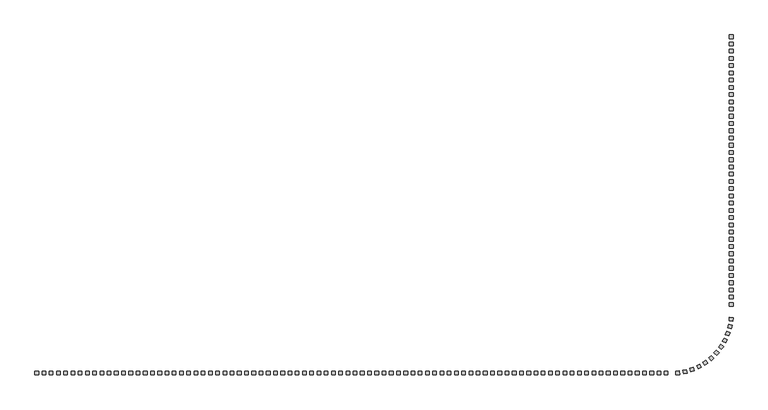
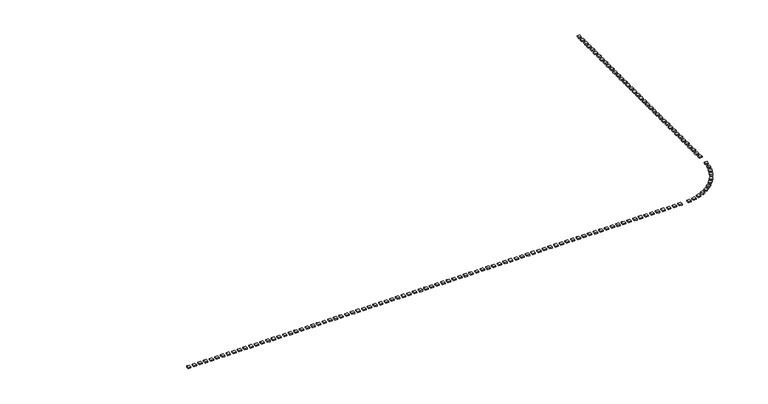
"""IFC4 building model written with IfcOpenShell, lengths in millimetres: railing geometry."""

from ifc_helpers import new_model, si_unit, origin, origin_with_axes, place, context, project, spatial, polyline, outline, extrude, source, transform, mapped, element, save


def railing_0bcb9faa(model_context):
    return source(origin(), model_context, "Body", "SweptSolid", [
        extrude(outline(polyline([(-23631.1414863, -51795.8215503), (-23631.1414863, -51295.8215503), (-23131.1414863, -51295.8215503), (-23131.1414863, -51795.8215503), (-23631.1414863, -51795.8215503)])), origin_with_axes(), (0.0, 0.0, 1.0), 200.0),
        extrude(outline(polyline([(-22631.1414863, -51795.8215503), (-22631.1414863, -51295.8215503), (-22131.1414863, -51295.8215503), (-22131.1414863, -51795.8215503), (-22631.1414863, -51795.8215503)])), origin_with_axes(), (0.0, 0.0, 1.0), 200.0),
        extrude(outline(polyline([(-21631.1414863, -51795.8215503), (-21631.1414863, -51295.8215503), (-21131.1414863, -51295.8215503), (-21131.1414863, -51795.8215503), (-21631.1414863, -51795.8215503)])), origin_with_axes(), (0.0, 0.0, 1.0), 200.0),
        extrude(outline(polyline([(-20631.1414863, -51795.8215503), (-20631.1414863, -51295.8215503), (-20131.1414863, -51295.8215503), (-20131.1414863, -51795.8215503), (-20631.1414863, -51795.8215503)])), origin_with_axes(), (0.0, 0.0, 1.0), 200.0),
        extrude(outline(polyline([(-19631.1414863, -51795.8215503), (-19631.1414863, -51295.8215503), (-19131.1414863, -51295.8215503), (-19131.1414863, -51795.8215503), (-19631.1414863, -51795.8215503)])), origin_with_axes(), (0.0, 0.0, 1.0), 200.0),
        extrude(outline(polyline([(-18631.1414863, -51795.8215503), (-18631.1414863, -51295.8215503), (-18131.1414863, -51295.8215503), (-18131.1414863, -51795.8215503), (-18631.1414863, -51795.8215503)])), origin_with_axes(), (0.0, 0.0, 1.0), 200.0),
        extrude(outline(polyline([(-17631.1414863, -51795.8215503), (-17631.1414863, -51295.8215503), (-17131.1414863, -51295.8215503), (-17131.1414863, -51795.8215503), (-17631.1414863, -51795.8215503)])), origin_with_axes(), (0.0, 0.0, 1.0), 200.0),
        extrude(outline(polyline([(-16631.1414863, -51795.8215503), (-16631.1414863, -51295.8215503), (-16131.1414863, -51295.8215503), (-16131.1414863, -51795.8215503), (-16631.1414863, -51795.8215503)])), origin_with_axes(), (0.0, 0.0, 1.0), 200.0),
        extrude(outline(polyline([(-15631.1414863, -51795.8215503), (-15631.1414863, -51295.8215503), (-15131.1414863, -51295.8215503), (-15131.1414863, -51795.8215503), (-15631.1414863, -51795.8215503)])), origin_with_axes(), (0.0, 0.0, 1.0), 200.0),
        extrude(outline(polyline([(-14631.1414863, -51795.8215503), (-14631.1414863, -51295.8215503), (-14131.1414863, -51295.8215503), (-14131.1414863, -51795.8215503), (-14631.1414863, -51795.8215503)])), origin_with_axes(), (0.0, 0.0, 1.0), 200.0),
        extrude(outline(polyline([(-13631.1414863, -51795.8215503), (-13631.1414863, -51295.8215503), (-13131.1414863, -51295.8215503), (-13131.1414863, -51795.8215503), (-13631.1414863, -51795.8215503)])), origin_with_axes(), (0.0, 0.0, 1.0), 200.0),
        extrude(outline(polyline([(-12631.1414863, -51795.8215503), (-12631.1414863, -51295.8215503), (-12131.1414863, -51295.8215503), (-12131.1414863, -51795.8215503), (-12631.1414863, -51795.8215503)])), origin_with_axes(), (0.0, 0.0, 1.0), 200.0),
        extrude(outline(polyline([(-11631.1414863, -51795.8215503), (-11631.1414863, -51295.8215503), (-11131.1414863, -51295.8215503), (-11131.1414863, -51795.8215503), (-11631.1414863, -51795.8215503)])), origin_with_axes(), (0.0, 0.0, 1.0), 200.0),
        extrude(outline(polyline([(-10631.1414863, -51795.8215503), (-10631.1414863, -51295.8215503), (-10131.1414863, -51295.8215503), (-10131.1414863, -51795.8215503), (-10631.1414863, -51795.8215503)])), origin_with_axes(), (0.0, 0.0, 1.0), 200.0),
        extrude(outline(polyline([(-9631.1414863, -51795.8215503), (-9631.1414863, -51295.8215503), (-9131.1414863, -51295.8215503), (-9131.1414863, -51795.8215503), (-9631.1414863, -51795.8215503)])), origin_with_axes(), (0.0, 0.0, 1.0), 200.0),
        extrude(outline(polyline([(-8631.1414863, -51795.8215503), (-8631.1414863, -51295.8215503), (-8131.1414863, -51295.8215503), (-8131.1414863, -51795.8215503), (-8631.1414863, -51795.8215503)])), origin_with_axes(), (0.0, 0.0, 1.0), 200.0),
        extrude(outline(polyline([(-7631.1414863, -51795.8215503), (-7631.1414863, -51295.8215503), (-7131.1414863, -51295.8215503), (-7131.1414863, -51795.8215503), (-7631.1414863, -51795.8215503)])), origin_with_axes(), (0.0, 0.0, 1.0), 200.0),
        extrude(outline(polyline([(-6631.1414863, -51795.8215503), (-6631.1414863, -51295.8215503), (-6131.1414863, -51295.8215503), (-6131.1414863, -51795.8215503), (-6631.1414863, -51795.8215503)])), origin_with_axes(), (0.0, 0.0, 1.0), 200.0),
        extrude(outline(polyline([(-5631.1414863, -51795.8215503), (-5631.1414863, -51295.8215503), (-5131.1414863, -51295.8215503), (-5131.1414863, -51795.8215503), (-5631.1414863, -51795.8215503)])), origin_with_axes(), (0.0, 0.0, 1.0), 200.0),
        extrude(outline(polyline([(-4631.1414863, -51795.8215503), (-4631.1414863, -51295.8215503), (-4131.1414863, -51295.8215503), (-4131.1414863, -51795.8215503), (-4631.1414863, -51795.8215503)])), origin_with_axes(), (0.0, 0.0, 1.0), 200.0),
        extrude(outline(polyline([(-3631.1414863, -51795.8215503), (-3631.1414863, -51295.8215503), (-3131.1414863, -51295.8215503), (-3131.1414863, -51795.8215503), (-3631.1414863, -51795.8215503)])), origin_with_axes(), (0.0, 0.0, 1.0), 200.0),
        extrude(outline(polyline([(-2631.1414863, -51795.8215503), (-2631.1414863, -51295.8215503), (-2131.1414863, -51295.8215503), (-2131.1414863, -51795.8215503), (-2631.1414863, -51795.8215503)])), origin_with_axes(), (0.0, 0.0, 1.0), 200.0),
        extrude(outline(polyline([(-1631.1414863, -51795.8215503), (-1631.1414863, -51295.8215503), (-1131.1414863, -51295.8215503), (-1131.1414863, -51795.8215503), (-1631.1414863, -51795.8215503)])), origin_with_axes(), (0.0, 0.0, 1.0), 200.0),
        extrude(outline(polyline([(-631.1414863, -51795.8215503), (-631.1414863, -51295.8215503), (-131.1414863, -51295.8215503), (-131.1414863, -51795.8215503), (-631.1414863, -51795.8215503)])), origin_with_axes(), (0.0, 0.0, 1.0), 200.0),
        extrude(outline(polyline([(368.8585137, -51795.8215503), (368.8585137, -51295.8215503), (868.8585137, -51295.8215503), (868.8585137, -51795.8215503), (368.8585137, -51795.8215503)])), origin_with_axes(), (0.0, 0.0, 1.0), 200.0),
        extrude(outline(polyline([(1368.8585137, -51795.8215503), (1368.8585137, -51295.8215503), (1868.8585137, -51295.8215503), (1868.8585137, -51795.8215503), (1368.8585137, -51795.8215503)])), origin_with_axes(), (0.0, 0.0, 1.0), 200.0),
        extrude(outline(polyline([(2368.8585137, -51795.8215503), (2368.8585137, -51295.8215503), (2868.8585137, -51295.8215503), (2868.8585137, -51795.8215503), (2368.8585137, -51795.8215503)])), origin_with_axes(), (0.0, 0.0, 1.0), 200.0),
        extrude(outline(polyline([(3368.8585137, -51795.8215503), (3368.8585137, -51295.8215503), (3868.8585137, -51295.8215503), (3868.8585137, -51795.8215503), (3368.8585137, -51795.8215503)])), origin_with_axes(), (0.0, 0.0, 1.0), 200.0),
        extrude(outline(polyline([(4368.8585137, -51795.8215503), (4368.8585137, -51295.8215503), (4868.8585137, -51295.8215503), (4868.8585137, -51795.8215503), (4368.8585137, -51795.8215503)])), origin_with_axes(), (0.0, 0.0, 1.0), 200.0),
        extrude(outline(polyline([(5368.8585137, -51795.8215503), (5368.8585137, -51295.8215503), (5868.8585137, -51295.8215503), (5868.8585137, -51795.8215503), (5368.8585137, -51795.8215503)])), origin_with_axes(), (0.0, 0.0, 1.0), 200.0),
        extrude(outline(polyline([(6368.8585137, -51795.8215503), (6368.8585137, -51295.8215503), (6868.8585137, -51295.8215503), (6868.8585137, -51795.8215503), (6368.8585137, -51795.8215503)])), origin_with_axes(), (0.0, 0.0, 1.0), 200.0),
        extrude(outline(polyline([(7368.8585137, -51795.8215503), (7368.8585137, -51295.8215503), (7868.8585137, -51295.8215503), (7868.8585137, -51795.8215503), (7368.8585137, -51795.8215503)])), origin_with_axes(), (0.0, 0.0, 1.0), 200.0),
        extrude(outline(polyline([(8368.8585137, -51795.8215503), (8368.8585137, -51295.8215503), (8868.8585137, -51295.8215503), (8868.8585137, -51795.8215503), (8368.8585137, -51795.8215503)])), origin_with_axes(), (0.0, 0.0, 1.0), 200.0),
        extrude(outline(polyline([(9368.8585137, -51795.8215503), (9368.8585137, -51295.8215503), (9868.8585137, -51295.8215503), (9868.8585137, -51795.8215503), (9368.8585137, -51795.8215503)])), origin_with_axes(), (0.0, 0.0, 1.0), 200.0),
        extrude(outline(polyline([(10368.8585137, -51795.8215503), (10368.8585137, -51295.8215503), (10868.8585137, -51295.8215503), (10868.8585137, -51795.8215503), (10368.8585137, -51795.8215503)])), origin_with_axes(), (0.0, 0.0, 1.0), 200.0),
        extrude(outline(polyline([(11368.8585137, -51795.8215503), (11368.8585137, -51295.8215503), (11868.8585137, -51295.8215503), (11868.8585137, -51795.8215503), (11368.8585137, -51795.8215503)])), origin_with_axes(), (0.0, 0.0, 1.0), 200.0),
        extrude(outline(polyline([(12368.8585137, -51795.8215503), (12368.8585137, -51295.8215503), (12868.8585137, -51295.8215503), (12868.8585137, -51795.8215503), (12368.8585137, -51795.8215503)])), origin_with_axes(), (0.0, 0.0, 1.0), 200.0),
        extrude(outline(polyline([(13368.8585137, -51795.8215503), (13368.8585137, -51295.8215503), (13868.8585137, -51295.8215503), (13868.8585137, -51795.8215503), (13368.8585137, -51795.8215503)])), origin_with_axes(), (0.0, 0.0, 1.0), 200.0),
        extrude(outline(polyline([(14368.8585137, -51795.8215503), (14368.8585137, -51295.8215503), (14868.8585137, -51295.8215503), (14868.8585137, -51795.8215503), (14368.8585137, -51795.8215503)])), origin_with_axes(), (0.0, 0.0, 1.0), 200.0),
        extrude(outline(polyline([(15368.8585137, -51795.8215503), (15368.8585137, -51295.8215503), (15868.8585137, -51295.8215503), (15868.8585137, -51795.8215503), (15368.8585137, -51795.8215503)])), origin_with_axes(), (0.0, 0.0, 1.0), 200.0),
        extrude(outline(polyline([(16368.8585137, -51795.8215503), (16368.8585137, -51295.8215503), (16868.8585137, -51295.8215503), (16868.8585137, -51795.8215503), (16368.8585137, -51795.8215503)])), origin_with_axes(), (0.0, 0.0, 1.0), 200.0),
        extrude(outline(polyline([(17368.8585137, -51795.8215503), (17368.8585137, -51295.8215503), (17868.8585137, -51295.8215503), (17868.8585137, -51795.8215503), (17368.8585137, -51795.8215503)])), origin_with_axes(), (0.0, 0.0, 1.0), 200.0),
        extrude(outline(polyline([(18368.8585137, -51795.8215503), (18368.8585137, -51295.8215503), (18868.8585137, -51295.8215503), (18868.8585137, -51795.8215503), (18368.8585137, -51795.8215503)])), origin_with_axes(), (0.0, 0.0, 1.0), 200.0),
        extrude(outline(polyline([(19368.8585137, -51795.8215503), (19368.8585137, -51295.8215503), (19868.8585137, -51295.8215503), (19868.8585137, -51795.8215503), (19368.8585137, -51795.8215503)])), origin_with_axes(), (0.0, 0.0, 1.0), 200.0),
        extrude(outline(polyline([(20368.8585137, -51795.8215503), (20368.8585137, -51295.8215503), (20868.8585137, -51295.8215503), (20868.8585137, -51795.8215503), (20368.8585137, -51795.8215503)])), origin_with_axes(), (0.0, 0.0, 1.0), 200.0),
        extrude(outline(polyline([(21368.8585137, -51795.8215503), (21368.8585137, -51295.8215503), (21868.8585137, -51295.8215503), (21868.8585137, -51795.8215503), (21368.8585137, -51795.8215503)])), origin_with_axes(), (0.0, 0.0, 1.0), 200.0),
        extrude(outline(polyline([(22368.8585137, -51795.8215503), (22368.8585137, -51295.8215503), (22868.8585137, -51295.8215503), (22868.8585137, -51795.8215503), (22368.8585137, -51795.8215503)])), origin_with_axes(), (0.0, 0.0, 1.0), 200.0),
        extrude(outline(polyline([(23368.8585137, -51795.8215503), (23368.8585137, -51295.8215503), (23868.8585137, -51295.8215503), (23868.8585137, -51795.8215503), (23368.8585137, -51795.8215503)])), origin_with_axes(), (0.0, 0.0, 1.0), 200.0),
        extrude(outline(polyline([(24368.8585137, -51795.8215503), (24368.8585137, -51295.8215503), (24868.8585137, -51295.8215503), (24868.8585137, -51795.8215503), (24368.8585137, -51795.8215503)])), origin_with_axes(), (0.0, 0.0, 1.0), 200.0),
        extrude(outline(polyline([(25368.8585137, -51795.8215503), (25368.8585137, -51295.8215503), (25868.8585137, -51295.8215503), (25868.8585137, -51795.8215503), (25368.8585137, -51795.8215503)])), origin_with_axes(), (0.0, 0.0, 1.0), 200.0),
        extrude(outline(polyline([(26368.8585137, -51795.8215503), (26368.8585137, -51295.8215503), (26868.8585137, -51295.8215503), (26868.8585137, -51795.8215503), (26368.8585137, -51795.8215503)])), origin_with_axes(), (0.0, 0.0, 1.0), 200.0),
        extrude(outline(polyline([(27368.8585137, -51795.8215503), (27368.8585137, -51295.8215503), (27868.8585137, -51295.8215503), (27868.8585137, -51795.8215503), (27368.8585137, -51795.8215503)])), origin_with_axes(), (0.0, 0.0, 1.0), 200.0),
        extrude(outline(polyline([(28368.8585137, -51795.8215503), (28368.8585137, -51295.8215503), (28868.8585137, -51295.8215503), (28868.8585137, -51795.8215503), (28368.8585137, -51795.8215503)])), origin_with_axes(), (0.0, 0.0, 1.0), 200.0),
        extrude(outline(polyline([(29368.8585137, -51795.8215503), (29368.8585137, -51295.8215503), (29868.8585137, -51295.8215503), (29868.8585137, -51795.8215503), (29368.8585137, -51795.8215503)])), origin_with_axes(), (0.0, 0.0, 1.0), 200.0),
        extrude(outline(polyline([(30368.8585137, -51795.8215503), (30368.8585137, -51295.8215503), (30868.8585137, -51295.8215503), (30868.8585137, -51795.8215503), (30368.8585137, -51795.8215503)])), origin_with_axes(), (0.0, 0.0, 1.0), 200.0),
        extrude(outline(polyline([(31368.8585137, -51795.8215503), (31368.8585137, -51295.8215503), (31868.8585137, -51295.8215503), (31868.8585137, -51795.8215503), (31368.8585137, -51795.8215503)])), origin_with_axes(), (0.0, 0.0, 1.0), 200.0),
        extrude(outline(polyline([(32368.8585137, -51795.8215503), (32368.8585137, -51295.8215503), (32868.8585137, -51295.8215503), (32868.8585137, -51795.8215503), (32368.8585137, -51795.8215503)])), origin_with_axes(), (0.0, 0.0, 1.0), 200.0),
        extrude(outline(polyline([(33368.8585137, -51795.8215503), (33368.8585137, -51295.8215503), (33868.8585137, -51295.8215503), (33868.8585137, -51795.8215503), (33368.8585137, -51795.8215503)])), origin_with_axes(), (0.0, 0.0, 1.0), 200.0),
        extrude(outline(polyline([(34368.8585137, -51795.8215503), (34368.8585137, -51295.8215503), (34868.8585137, -51295.8215503), (34868.8585137, -51795.8215503), (34368.8585137, -51795.8215503)])), origin_with_axes(), (0.0, 0.0, 1.0), 200.0),
        extrude(outline(polyline([(35368.8585137, -51795.8215503), (35368.8585137, -51295.8215503), (35868.8585137, -51295.8215503), (35868.8585137, -51795.8215503), (35368.8585137, -51795.8215503)])), origin_with_axes(), (0.0, 0.0, 1.0), 200.0),
        extrude(outline(polyline([(36368.8585137, -51795.8215503), (36368.8585137, -51295.8215503), (36868.8585137, -51295.8215503), (36868.8585137, -51795.8215503), (36368.8585137, -51795.8215503)])), origin_with_axes(), (0.0, 0.0, 1.0), 200.0),
        extrude(outline(polyline([(37368.8585137, -51795.8215503), (37368.8585137, -51295.8215503), (37868.8585137, -51295.8215503), (37868.8585137, -51795.8215503), (37368.8585137, -51795.8215503)])), origin_with_axes(), (0.0, 0.0, 1.0), 200.0),
        extrude(outline(polyline([(38368.8585137, -51795.8215503), (38368.8585137, -51295.8215503), (38868.8585137, -51295.8215503), (38868.8585137, -51795.8215503), (38368.8585137, -51795.8215503)])), origin_with_axes(), (0.0, 0.0, 1.0), 200.0),
        extrude(outline(polyline([(39368.8585137, -51795.8215503), (39368.8585137, -51295.8215503), (39868.8585137, -51295.8215503), (39868.8585137, -51795.8215503), (39368.8585137, -51795.8215503)])), origin_with_axes(), (0.0, 0.0, 1.0), 200.0),
        extrude(outline(polyline([(40368.8585137, -51795.8215503), (40368.8585137, -51295.8215503), (40868.8585137, -51295.8215503), (40868.8585137, -51795.8215503), (40368.8585137, -51795.8215503)])), origin_with_axes(), (0.0, 0.0, 1.0), 200.0),
        extrude(outline(polyline([(41368.8585137, -51795.8215503), (41368.8585137, -51295.8215503), (41868.8585137, -51295.8215503), (41868.8585137, -51795.8215503), (41368.8585137, -51795.8215503)])), origin_with_axes(), (0.0, 0.0, 1.0), 200.0),
        extrude(outline(polyline([(42368.8585137, -51795.8215503), (42368.8585137, -51295.8215503), (42868.8585137, -51295.8215503), (42868.8585137, -51795.8215503), (42368.8585137, -51795.8215503)])), origin_with_axes(), (0.0, 0.0, 1.0), 200.0),
        extrude(outline(polyline([(43368.8585137, -51795.8215503), (43368.8585137, -51295.8215503), (43868.8585137, -51295.8215503), (43868.8585137, -51795.8215503), (43368.8585137, -51795.8215503)])), origin_with_axes(), (0.0, 0.0, 1.0), 200.0),
        extrude(outline(polyline([(44368.8585137, -51795.8215503), (44368.8585137, -51295.8215503), (44868.8585137, -51295.8215503), (44868.8585137, -51795.8215503), (44368.8585137, -51795.8215503)])), origin_with_axes(), (0.0, 0.0, 1.0), 200.0),
        extrude(outline(polyline([(45368.8585137, -51795.8215503), (45368.8585137, -51295.8215503), (45868.8585137, -51295.8215503), (45868.8585137, -51795.8215503), (45368.8585137, -51795.8215503)])), origin_with_axes(), (0.0, 0.0, 1.0), 200.0),
        extrude(outline(polyline([(46368.8585137, -51795.8215503), (46368.8585137, -51295.8215503), (46868.8585137, -51295.8215503), (46868.8585137, -51795.8215503), (46368.8585137, -51795.8215503)])), origin_with_axes(), (0.0, 0.0, 1.0), 200.0),
        extrude(outline(polyline([(47368.8585137, -51795.8215503), (47368.8585137, -51295.8215503), (47868.8585137, -51295.8215503), (47868.8585137, -51795.8215503), (47368.8585137, -51795.8215503)])), origin_with_axes(), (0.0, 0.0, 1.0), 200.0),
        extrude(outline(polyline([(48368.8585137, -51795.8215503), (48368.8585137, -51295.8215503), (48868.8585137, -51295.8215503), (48868.8585137, -51795.8215503), (48368.8585137, -51795.8215503)])), origin_with_axes(), (0.0, 0.0, 1.0), 200.0),
        extrude(outline(polyline([(49368.8585137, -51795.8215503), (49368.8585137, -51295.8215503), (49868.8585137, -51295.8215503), (49868.8585137, -51795.8215503), (49368.8585137, -51795.8215503)])), origin_with_axes(), (0.0, 0.0, 1.0), 200.0),
        extrude(outline(polyline([(50368.8585137, -51795.8215503), (50368.8585137, -51295.8215503), (50868.8585137, -51295.8215503), (50868.8585137, -51795.8215503), (50368.8585137, -51795.8215503)])), origin_with_axes(), (0.0, 0.0, 1.0), 200.0),
        extrude(outline(polyline([(51368.8585137, -51795.8215503), (51368.8585137, -51295.8215503), (51868.8585137, -51295.8215503), (51868.8585137, -51795.8215503), (51368.8585137, -51795.8215503)])), origin_with_axes(), (0.0, 0.0, 1.0), 200.0),
        extrude(outline(polyline([(52368.8585137, -51795.8215503), (52368.8585137, -51295.8215503), (52868.8585137, -51295.8215503), (52868.8585137, -51795.8215503), (52368.8585137, -51795.8215503)])), origin_with_axes(), (0.0, 0.0, 1.0), 200.0),
        extrude(outline(polyline([(53368.8585137, -51795.8215503), (53368.8585137, -51295.8215503), (53868.8585137, -51295.8215503), (53868.8585137, -51795.8215503), (53368.8585137, -51795.8215503)])), origin_with_axes(), (0.0, 0.0, 1.0), 200.0),
        extrude(outline(polyline([(54368.8585137, -51795.8215503), (54368.8585137, -51295.8215503), (54868.8585137, -51295.8215503), (54868.8585137, -51795.8215503), (54368.8585137, -51795.8215503)])), origin_with_axes(), (0.0, 0.0, 1.0), 200.0),
        extrude(outline(polyline([(55368.8585137, -51795.8215503), (55368.8585137, -51295.8215503), (55868.8585137, -51295.8215503), (55868.8585137, -51795.8215503), (55368.8585137, -51795.8215503)])), origin_with_axes(), (0.0, 0.0, 1.0), 200.0),
        extrude(outline(polyline([(56368.8585137, -51795.8215503), (56368.8585137, -51295.8215503), (56868.8585137, -51295.8215503), (56868.8585137, -51795.8215503), (56368.8585137, -51795.8215503)])), origin_with_axes(), (0.0, 0.0, 1.0), 200.0),
        extrude(outline(polyline([(57368.8585137, -51795.8215503), (57368.8585137, -51295.8215503), (57868.8585137, -51295.8215503), (57868.8585137, -51795.8215503), (57368.8585137, -51795.8215503)])), origin_with_axes(), (0.0, 0.0, 1.0), 200.0),
        extrude(outline(polyline([(58368.8585137, -51795.8215503), (58368.8585137, -51295.8215503), (58868.8585137, -51295.8215503), (58868.8585137, -51795.8215503), (58368.8585137, -51795.8215503)])), origin_with_axes(), (0.0, 0.0, 1.0), 200.0),
        extrude(outline(polyline([(59368.8585137, -51795.8215503), (59368.8585137, -51295.8215503), (59868.8585137, -51295.8215503), (59868.8585137, -51795.8215503), (59368.8585137, -51795.8215503)])), origin_with_axes(), (0.0, 0.0, 1.0), 200.0),
        extrude(outline(polyline([(60368.8585137, -51795.8215503), (60368.8585137, -51295.8215503), (60868.8585137, -51295.8215503), (60868.8585137, -51795.8215503), (60368.8585137, -51795.8215503)])), origin_with_axes(), (0.0, 0.0, 1.0), 200.0),
        extrude(outline(polyline([(61368.8585137, -51795.8215503), (61368.8585137, -51295.8215503), (61868.8585137, -51295.8215503), (61868.8585137, -51795.8215503), (61368.8585137, -51795.8215503)])), origin_with_axes(), (0.0, 0.0, 1.0), 200.0),
        extrude(outline(polyline([(62368.8585137, -51795.8215503), (62368.8585137, -51295.8215503), (62868.8585137, -51295.8215503), (62868.8585137, -51795.8215503), (62368.8585137, -51795.8215503)])), origin_with_axes(), (0.0, 0.0, 1.0), 200.0),
        extrude(outline(polyline([(63368.8585137, -51795.8215503), (63368.8585137, -51295.8215503), (63868.8585137, -51295.8215503), (63868.8585137, -51795.8215503), (63368.8585137, -51795.8215503)])), origin_with_axes(), (0.0, 0.0, 1.0), 200.0),
        extrude(outline(polyline([(64970.1247279, -51774.5289364), (64934.7561271, -51275.7814431), (65433.5036204, -51240.4128423), (65468.8722212, -51739.1603356), (64970.1247279, -51774.5289364)])), origin_with_axes(), (0.0, 0.0, 1.0), 200.0),
        extrude(outline(polyline([(66022.5140316, -51633.412535), (65925.2401776, -51142.9660065), (66415.6867062, -51045.6921525), (66512.9605602, -51536.138681), (66022.5140316, -51633.412535)])), origin_with_axes(), (0.0, 0.0, 1.0), 200.0),
        extrude(outline(polyline([(67049.0985941, -51362.1908148), (66891.4374129, -50887.6985051), (67365.9297226, -50730.0373239), (67523.5909038, -51204.5296336), (67049.0985941, -51362.1908148)])), origin_with_axes(), (0.0, 0.0, 1.0), 200.0),
        extrude(outline(polyline([(68033.8589065, -50965.0961001), (67818.2706481, -50513.9623031), (68269.4044452, -50298.3740447), (68484.9927036, -50749.5078417), (68033.8589065, -50965.0961001)])), origin_with_axes(), (0.0, 0.0, 1.0), 200.0),
        extrude(outline(polyline([(68961.4281136, -50448.3249211), (68691.2769607, -50027.5894287), (69112.0124531, -49757.4382758), (69382.163606, -50178.1737682), (68961.4281136, -50448.3249211)])), origin_with_axes(), (0.0, 0.0, 1.0), 200.0),
        extrude(outline(polyline([(69817.3318081, -49819.9413193), (69496.833379, -49436.1695682), (69880.6051302, -49115.6711391), (70201.1035592, -49499.4428902), (69817.3318081, -49819.9413193)])), origin_with_axes(), (0.0, 0.0, 1.0), 200.0),
        extrude(outline(polyline([(70588.2138992, -49089.7510105), (70222.3694647, -48748.9316305), (70563.1888447, -48383.087196), (70929.0332792, -48723.906576), (70588.2138992, -49089.7510105)])), origin_with_axes(), (0.0, 0.0, 1.0), 200.0),
        extrude(outline(polyline([(71262.0450295, -48269.1483703), (70856.5634698, -47976.5997338), (71149.1121062, -47571.118174), (71554.593666, -47863.6668105), (71262.0450295, -48269.1483703)])), origin_with_axes(), (0.0, 0.0, 1.0), 200.0),
        extrude(outline(polyline([(71828.3102898, -47370.9386284), (71389.5190089, -47131.2258591), (71629.2317782, -46692.4345782), (72068.0230591, -46932.1473475), (71828.3102898, -47370.9386284)])), origin_with_axes(), (0.0, 0.0, 1.0), 200.0),
        extrude(outline(polyline([(72278.1733, -46409.1380475), (71812.919489, -46226.001783), (71996.0557536, -45760.747972), (72461.3095645, -45943.8842365), (72278.1733, -46409.1380475)])), origin_with_axes(), (0.0, 0.0, 1.0), 200.0),
        extrude(outline(polyline([(72604.6140983, -45398.7552039), (72120.1578874, -45275.0532243), (72243.859867, -44790.5970134), (72728.3160779, -44914.2989931), (72604.6140983, -45398.7552039)])), origin_with_axes(), (0.0, 0.0, 1.0), 200.0),
        extrude(outline(polyline([(72802.5386852, -44355.556784), (72306.4398516, -44293.2194173), (72368.7772183, -43797.1205837), (72864.8760519, -43859.4579504), (72802.5386852, -44355.556784)])), origin_with_axes(), (0.0, 0.0, 1.0), 200.0),
        extrude(outline(polyline([(72868.8585137, -42295.8215503), (72368.8585137, -42295.8215503), (72368.8585137, -41795.8215503), (72868.8585137, -41795.8215503), (72868.8585137, -42295.8215503)])), origin_with_axes(), (0.0, 0.0, 1.0), 200.0),
        extrude(outline(polyline([(72868.8585137, -41295.8215503), (72368.8585137, -41295.8215503), (72368.8585137, -40795.8215503), (72868.8585137, -40795.8215503), (72868.8585137, -41295.8215503)])), origin_with_axes(), (0.0, 0.0, 1.0), 200.0),
        extrude(outline(polyline([(72868.8585137, -40295.8215503), (72368.8585137, -40295.8215503), (72368.8585137, -39795.8215503), (72868.8585137, -39795.8215503), (72868.8585137, -40295.8215503)])), origin_with_axes(), (0.0, 0.0, 1.0), 200.0),
        extrude(outline(polyline([(72868.8585137, -39295.8215503), (72368.8585137, -39295.8215503), (72368.8585137, -38795.8215503), (72868.8585137, -38795.8215503), (72868.8585137, -39295.8215503)])), origin_with_axes(), (0.0, 0.0, 1.0), 200.0),
        extrude(outline(polyline([(72868.8585137, -38295.8215503), (72368.8585137, -38295.8215503), (72368.8585137, -37795.8215503), (72868.8585137, -37795.8215503), (72868.8585137, -38295.8215503)])), origin_with_axes(), (0.0, 0.0, 1.0), 200.0),
        extrude(outline(polyline([(72868.8585137, -37295.8215503), (72368.8585137, -37295.8215503), (72368.8585137, -36795.8215503), (72868.8585137, -36795.8215503), (72868.8585137, -37295.8215503)])), origin_with_axes(), (0.0, 0.0, 1.0), 200.0),
        extrude(outline(polyline([(72868.8585137, -36295.8215503), (72368.8585137, -36295.8215503), (72368.8585137, -35795.8215503), (72868.8585137, -35795.8215503), (72868.8585137, -36295.8215503)])), origin_with_axes(), (0.0, 0.0, 1.0), 200.0),
        extrude(outline(polyline([(72868.8585137, -35295.8215503), (72368.8585137, -35295.8215503), (72368.8585137, -34795.8215503), (72868.8585137, -34795.8215503), (72868.8585137, -35295.8215503)])), origin_with_axes(), (0.0, 0.0, 1.0), 200.0),
        extrude(outline(polyline([(72868.8585137, -34295.8215503), (72368.8585137, -34295.8215503), (72368.8585137, -33795.8215503), (72868.8585137, -33795.8215503), (72868.8585137, -34295.8215503)])), origin_with_axes(), (0.0, 0.0, 1.0), 200.0),
        extrude(outline(polyline([(72868.8585137, -33295.8215503), (72368.8585137, -33295.8215503), (72368.8585137, -32795.8215503), (72868.8585137, -32795.8215503), (72868.8585137, -33295.8215503)])), origin_with_axes(), (0.0, 0.0, 1.0), 200.0),
        extrude(outline(polyline([(72868.8585137, -32295.8215503), (72368.8585137, -32295.8215503), (72368.8585137, -31795.8215503), (72868.8585137, -31795.8215503), (72868.8585137, -32295.8215503)])), origin_with_axes(), (0.0, 0.0, 1.0), 200.0),
        extrude(outline(polyline([(72868.8585137, -31295.8215503), (72368.8585137, -31295.8215503), (72368.8585137, -30795.8215503), (72868.8585137, -30795.8215503), (72868.8585137, -31295.8215503)])), origin_with_axes(), (0.0, 0.0, 1.0), 200.0),
        extrude(outline(polyline([(72868.8585137, -30295.8215503), (72368.8585137, -30295.8215503), (72368.8585137, -29795.8215503), (72868.8585137, -29795.8215503), (72868.8585137, -30295.8215503)])), origin_with_axes(), (0.0, 0.0, 1.0), 200.0),
        extrude(outline(polyline([(72868.8585137, -29295.8215503), (72368.8585137, -29295.8215503), (72368.8585137, -28795.8215503), (72868.8585137, -28795.8215503), (72868.8585137, -29295.8215503)])), origin_with_axes(), (0.0, 0.0, 1.0), 200.0),
        extrude(outline(polyline([(72868.8585137, -28295.8215503), (72368.8585137, -28295.8215503), (72368.8585137, -27795.8215503), (72868.8585137, -27795.8215503), (72868.8585137, -28295.8215503)])), origin_with_axes(), (0.0, 0.0, 1.0), 200.0),
        extrude(outline(polyline([(72868.8585137, -27295.8215503), (72368.8585137, -27295.8215503), (72368.8585137, -26795.8215503), (72868.8585137, -26795.8215503), (72868.8585137, -27295.8215503)])), origin_with_axes(), (0.0, 0.0, 1.0), 200.0),
        extrude(outline(polyline([(72868.8585137, -26295.8215503), (72368.8585137, -26295.8215503), (72368.8585137, -25795.8215503), (72868.8585137, -25795.8215503), (72868.8585137, -26295.8215503)])), origin_with_axes(), (0.0, 0.0, 1.0), 200.0),
        extrude(outline(polyline([(72868.8585137, -25295.8215503), (72368.8585137, -25295.8215503), (72368.8585137, -24795.8215503), (72868.8585137, -24795.8215503), (72868.8585137, -25295.8215503)])), origin_with_axes(), (0.0, 0.0, 1.0), 200.0),
        extrude(outline(polyline([(72868.8585137, -24295.8215503), (72368.8585137, -24295.8215503), (72368.8585137, -23795.8215503), (72868.8585137, -23795.8215503), (72868.8585137, -24295.8215503)])), origin_with_axes(), (0.0, 0.0, 1.0), 200.0),
        extrude(outline(polyline([(72868.8585137, -23295.8215503), (72368.8585137, -23295.8215503), (72368.8585137, -22795.8215503), (72868.8585137, -22795.8215503), (72868.8585137, -23295.8215503)])), origin_with_axes(), (0.0, 0.0, 1.0), 200.0),
        extrude(outline(polyline([(72868.8585137, -22295.8215503), (72368.8585137, -22295.8215503), (72368.8585137, -21795.8215503), (72868.8585137, -21795.8215503), (72868.8585137, -22295.8215503)])), origin_with_axes(), (0.0, 0.0, 1.0), 200.0),
        extrude(outline(polyline([(72868.8585137, -21295.8215503), (72368.8585137, -21295.8215503), (72368.8585137, -20795.8215503), (72868.8585137, -20795.8215503), (72868.8585137, -21295.8215503)])), origin_with_axes(), (0.0, 0.0, 1.0), 200.0),
        extrude(outline(polyline([(72868.8585137, -20295.8215503), (72368.8585137, -20295.8215503), (72368.8585137, -19795.8215503), (72868.8585137, -19795.8215503), (72868.8585137, -20295.8215503)])), origin_with_axes(), (0.0, 0.0, 1.0), 200.0),
        extrude(outline(polyline([(72868.8585137, -19295.8215503), (72368.8585137, -19295.8215503), (72368.8585137, -18795.8215503), (72868.8585137, -18795.8215503), (72868.8585137, -19295.8215503)])), origin_with_axes(), (0.0, 0.0, 1.0), 200.0),
        extrude(outline(polyline([(72868.8585137, -18295.8215503), (72368.8585137, -18295.8215503), (72368.8585137, -17795.8215503), (72868.8585137, -17795.8215503), (72868.8585137, -18295.8215503)])), origin_with_axes(), (0.0, 0.0, 1.0), 200.0),
        extrude(outline(polyline([(72868.8585137, -17295.8215503), (72368.8585137, -17295.8215503), (72368.8585137, -16795.8215503), (72868.8585137, -16795.8215503), (72868.8585137, -17295.8215503)])), origin_with_axes(), (0.0, 0.0, 1.0), 200.0),
        extrude(outline(polyline([(72868.8585137, -16295.8215503), (72368.8585137, -16295.8215503), (72368.8585137, -15795.8215503), (72868.8585137, -15795.8215503), (72868.8585137, -16295.8215503)])), origin_with_axes(), (0.0, 0.0, 1.0), 200.0),
        extrude(outline(polyline([(72868.8585137, -15295.8215503), (72368.8585137, -15295.8215503), (72368.8585137, -14795.8215503), (72868.8585137, -14795.8215503), (72868.8585137, -15295.8215503)])), origin_with_axes(), (0.0, 0.0, 1.0), 200.0),
        extrude(outline(polyline([(72868.8585137, -14295.8215503), (72368.8585137, -14295.8215503), (72368.8585137, -13795.8215503), (72868.8585137, -13795.8215503), (72868.8585137, -14295.8215503)])), origin_with_axes(), (0.0, 0.0, 1.0), 200.0),
        extrude(outline(polyline([(72868.8585137, -13295.8215503), (72368.8585137, -13295.8215503), (72368.8585137, -12795.8215503), (72868.8585137, -12795.8215503), (72868.8585137, -13295.8215503)])), origin_with_axes(), (0.0, 0.0, 1.0), 200.0),
        extrude(outline(polyline([(72868.8585137, -12295.8215503), (72368.8585137, -12295.8215503), (72368.8585137, -11795.8215503), (72868.8585137, -11795.8215503), (72868.8585137, -12295.8215503)])), origin_with_axes(), (0.0, 0.0, 1.0), 200.0),
        extrude(outline(polyline([(72868.8585137, -11295.8215503), (72368.8585137, -11295.8215503), (72368.8585137, -10795.8215503), (72868.8585137, -10795.8215503), (72868.8585137, -11295.8215503)])), origin_with_axes(), (0.0, 0.0, 1.0), 200.0),
        extrude(outline(polyline([(72868.8585137, -10295.8215503), (72368.8585137, -10295.8215503), (72368.8585137, -9795.8215503), (72868.8585137, -9795.8215503), (72868.8585137, -10295.8215503)])), origin_with_axes(), (0.0, 0.0, 1.0), 200.0),
        extrude(outline(polyline([(72868.8585137, -9295.8215503), (72368.8585137, -9295.8215503), (72368.8585137, -8795.8215503), (72868.8585137, -8795.8215503), (72868.8585137, -9295.8215503)])), origin_with_axes(), (0.0, 0.0, 1.0), 200.0),
        extrude(outline(polyline([(72868.8585137, -8295.8215503), (72368.8585137, -8295.8215503), (72368.8585137, -7795.8215503), (72868.8585137, -7795.8215503), (72868.8585137, -8295.8215503)])), origin_with_axes(), (0.0, 0.0, 1.0), 200.0),
        extrude(outline(polyline([(72868.8585137, -7295.8215503), (72368.8585137, -7295.8215503), (72368.8585137, -6795.8215503), (72868.8585137, -6795.8215503), (72868.8585137, -7295.8215503)])), origin_with_axes(), (0.0, 0.0, 1.0), 200.0),
        extrude(outline(polyline([(72868.8585137, -6295.8215503), (72368.8585137, -6295.8215503), (72368.8585137, -5795.8215503), (72868.8585137, -5795.8215503), (72868.8585137, -6295.8215503)])), origin_with_axes(), (0.0, 0.0, 1.0), 200.0),
        extrude(outline(polyline([(72868.8585137, -5295.8215503), (72368.8585137, -5295.8215503), (72368.8585137, -4795.8215503), (72868.8585137, -4795.8215503), (72868.8585137, -5295.8215503)])), origin_with_axes(), (0.0, 0.0, 1.0), 200.0),
    ])


if __name__ == "__main__":
    model = new_model("IFC4")
    model_context = context("Model", 3, world=origin())
    ifc_project = project(units=[si_unit("LENGTHUNIT", "METRE", prefix="MILLI")], contexts=[model_context])
    site = spatial("IfcSite", under=ifc_project)
    building = spatial("IfcBuilding", under=site)
    placement = place(None, origin())
    railing_shape = railing_0bcb9faa(model_context)
    element("IfcRailing", 1, at=placement, inside=building, context=model_context, shape_type="MappedRepresentation", body=[
        mapped(railing_shape, transform((0.0, 0.0, 0.0), x_axis=(1.0, 0.0, 0.0), y_axis=(0.0, 1.0, 0.0), z_axis=(0.0, 0.0, 1.0))),
    ])
    save(model, "model.ifc")
